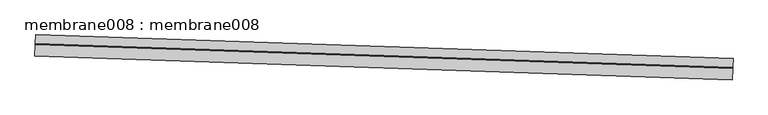
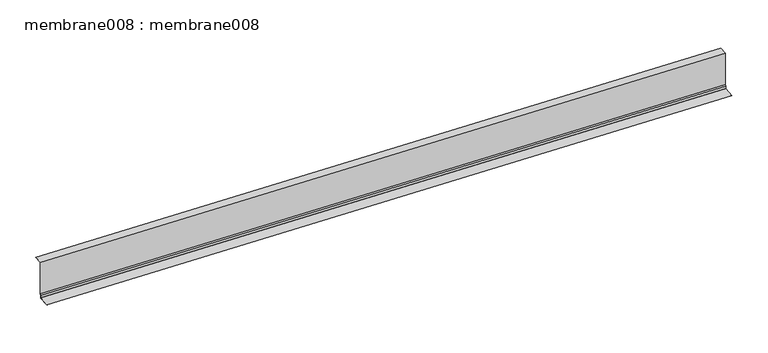
"""IFC4 building model written with IfcOpenShell, lengths in millimetres: proxy geometry, membrane008 : membrane008."""

from ifc_helpers import new_model, si_unit, point, frame, frame_2d, origin, place, context, project, spatial, polyline, circle_curve, trimmed, segment, composite_curve, outline, extrude, source, transform, mapped, element, save


def membrane008_membrane008_46658305(model_context):
    return source(origin(), model_context, "Body", "SweptSolid", [
        extrude(outline(composite_curve([segment(polyline([(0.0, 0.0), (0.0, -219.075), (-843.9372721, -219.075), (-875.5580247, -237.3312499), (-945.3093174, -237.3312499)]), True, "CONTINUOUS"), segment(trimmed(circle_curve(frame_2d((-945.3093174, -240.50625)), 3.175), [point((-945.3093174, -237.3312499))], [point((-948.4843174, -240.50625))], True, "CARTESIAN"), True, "CONTINUOUS"), segment(polyline([(-948.4843174, -240.50625), (-948.4843174, -527.05), (-951.6593174, -527.05), (-951.6593174, -240.50625)]), True, "CONTINUOUS"), segment(trimmed(circle_curve(frame_2d((-945.3093174, -240.50625)), 6.35), [point((-951.6593174, -240.50625))], [point((-945.3093174, -234.15625))], False, "CARTESIAN"), True, "CONTINUOUS"), segment(polyline([(-945.3093174, -234.15625), (-876.4087633, -234.15625), (-844.7880108, -215.8999999), (-3.175, -215.8999999), (-3.175, 0.0), (0.0, 0.0)]), True, "CONTINUOUS")], self_intersect=False)), frame((34362.0079634, -15253.2870927, 5719.125708), z_axis=(-0.9994149479163338, 0.03420178184527941, 0.0), x_axis=(0.0, 0.0, 1.0)), (0.0, 0.0, 1.0), 17068.8),
    ])


if __name__ == "__main__":
    model = new_model("IFC4")
    model_context = context("Model", 3, world=origin())
    ifc_project = project(units=[si_unit("LENGTHUNIT", "METRE", prefix="MILLI")], contexts=[model_context])
    site = spatial("IfcSite", under=ifc_project)
    building = spatial("IfcBuilding", under=site)
    placement = place(None, origin())
    membrane008_membrane008_shape = membrane008_membrane008_46658305(model_context)
    element("IfcBuildingElementProxy", 1, Name="membrane008 : membrane008", ObjectType="membrane008 : membrane008", at=placement, inside=building, context=model_context, shape_type="MappedRepresentation", body=[
        mapped(membrane008_membrane008_shape, transform((0.0, 0.0, 0.0), x_axis=(1.0, 0.0, 0.0), y_axis=(0.0, 1.0, 0.0), z_axis=(0.0, 0.0, 1.0))),
    ])
    save(model, "model.ifc")
